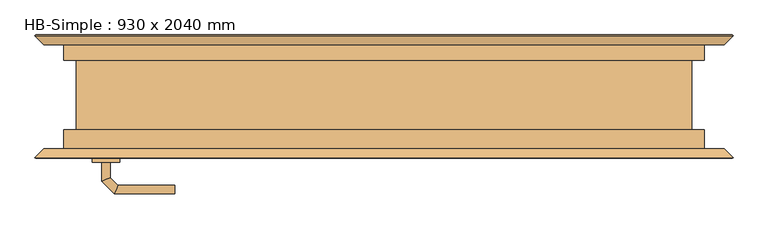
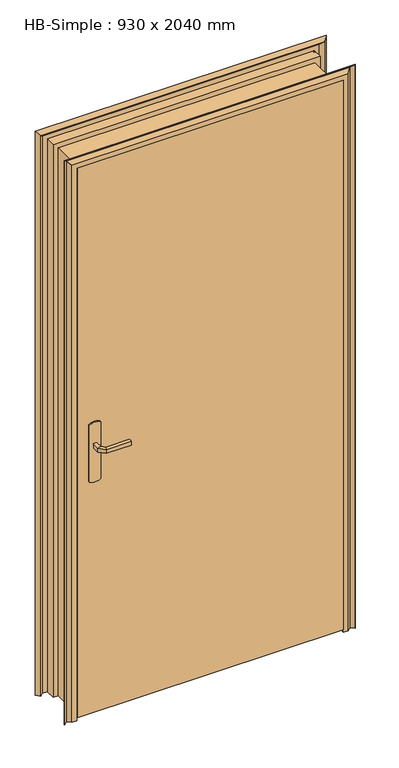
"""IFC4 building model written with IfcOpenShell, lengths in millimetres: door geometry, HB-Simple : 930 x 2040 mm."""

from ifc_helpers import new_model, si_unit, point, frame, frame_2d, origin, place, context, project, spatial, polyline, circle_curve, ellipse_curve, trimmed, segment, composite_curve, outline, extrude, faceted_brep, source, transform, mapped, element, save
from ifc_brep_helpers import plane_surface, cylinder_surface, advanced_brep


def hb_simple_930_x_2040_mm_84281c08(model_context):
    return source(origin(), model_context, "Body", "SolidModel", [
        advanced_brep(
        [(-399.0, -45.0, 993.0), (-399.0, -45.0, 1007.0), (-411.0, -45.0, 1007.0), (-411.0, -45.0, 993.0), (-399.0, -22.5147955, 993.0), (-399.0, -22.5147955, 1007.0), (-411.0, -17.5442327, 1007.0), (-411.0, -17.5442327, 993.0), (-387.5147186, -11.0295141, 993.0), (-387.5147186, -11.0295141, 1007.0), (-392.4852814, 0.9704859, 1007.0), (-392.4852814, 0.9704859, 993.0), (-304.9542163, -11.0295141, 993.0), (-304.9542163, 0.9704859, 993.0), (-304.9542163, 0.9704859, 1007.0), (-304.9542163, -11.0295141, 1007.0)],
        [
            (0, 1),
            (1, 2, circle_curve(frame((-405.0, -45.0, 986.9542278), z_axis=(0.0, -1.0, 0.0), x_axis=(-1.0, 0.0, 0.0)), 20.9244589)),
            (2, 3),
            (3, 0, circle_curve(frame((-405.0, -45.0, 1013.0457722), z_axis=(0.0, -1.0, 0.0), x_axis=(-1.0, 0.0, 0.0)), 20.9244589)),
            (0, 4),
            (4, 5),
            (5, 1),
            (5, 6, ellipse_curve(frame((-405.0, -20.0295141, 986.9542278), z_axis=(-0.38268343236511726, -0.9238795325112753, 0.0), x_axis=(0.9238795325112752, -0.38268343236511776, 0.0)), 22.6484711, 20.9244589)),
            (6, 2),
            (6, 7),
            (7, 3),
            (7, 4, ellipse_curve(frame((-405.0, -20.0295141, 1013.0457722), z_axis=(-0.38268343236511726, -0.9238795325112753, 0.0), x_axis=(0.9238795325112752, -0.38268343236511776, 0.0)), 22.6484711, 20.9244589)),
            (4, 8),
            (8, 9),
            (9, 5),
            (9, 10, ellipse_curve(frame((-390.0, -5.0295141, 986.9542278), z_axis=(-0.9238795325112982, -0.38268343236506225, 0.0), x_axis=(0.3826834323650622, -0.9238795325112981, 0.0)), 22.6484711, 20.9244589)),
            (10, 6),
            (10, 11),
            (11, 7),
            (11, 8, ellipse_curve(frame((-390.0, -5.0295141, 1013.0457722), z_axis=(-0.9238795325112982, -0.38268343236506225, 0.0), x_axis=(0.3826834323650622, -0.9238795325112981, 0.0)), 22.6484711, 20.9244589)),
            (12, 13, circle_curve(frame((-304.9542163, -5.0295141, 1013.0457722), z_axis=(1.0, 0.0, 0.0), x_axis=(0.0, 1.0, 0.0)), 20.9244589)),
            (13, 14),
            (14, 15, circle_curve(frame((-304.9542163, -5.0295141, 986.9542278), z_axis=(1.0, 0.0, 0.0), x_axis=(0.0, 1.0, 0.0)), 20.9244589)),
            (15, 12),
            (8, 12),
            (15, 9),
            (14, 10),
            (13, 11),
        ],
        [
            plane_surface(frame((-414.2195445, -45.0, 1000.0), z_axis=(0.0, -1.0, 0.0), x_axis=(0.0, 0.0, 1.0))),
            plane_surface(frame((-399.0, -45.0, 993.0), z_axis=(1.0, 0.0, 0.0), x_axis=(0.0, 1.0, 0.0))),
            cylinder_surface(frame((-405.0, -45.0, 986.9542278), z_axis=(0.0, -1.0, 0.0), x_axis=(-1.0, 0.0, 0.0)), 20.9244589),
            plane_surface(frame((-411.0, -45.0, 1007.0), z_axis=(-1.0, 0.0, 0.0), x_axis=(0.0, 1.0, 0.0))),
            cylinder_surface(frame((-405.0, -45.0, 1013.0457722), z_axis=(0.0, -1.0, 0.0), x_axis=(-1.0, 0.0, 0.0)), 20.9244589),
            plane_surface(frame((-399.0, -22.5147955, 993.0), z_axis=(0.7071067811865118, -0.7071067811865832, 0.0), x_axis=(0.7071067811865832, 0.7071067811865118, 0.0))),
            cylinder_surface(frame((-405.0, -20.0295141, 986.9542278), z_axis=(-0.7071067811865832, -0.7071067811865118, 0.0), x_axis=(-0.7071067811865118, 0.7071067811865832, 0.0)), 20.9244589),
            plane_surface(frame((-411.0, -17.5442327, 1007.0), z_axis=(-0.7071067811865119, 0.7071067811865831, 0.0), x_axis=(0.7071067811865831, 0.7071067811865119, 0.0))),
            cylinder_surface(frame((-405.0, -20.0295141, 1013.0457722), z_axis=(-0.7071067811865832, -0.7071067811865118, 0.0), x_axis=(-0.7071067811865118, 0.7071067811865832, 0.0)), 20.9244589),
            plane_surface(frame((-304.9542163, -5.0295141, 990.7804555), z_axis=(1.0, 0.0, 0.0), x_axis=(0.0, 1.0, 0.0))),
            plane_surface(frame((-387.5147186, -11.0295141, 993.0), z_axis=(0.0, -1.0, 0.0), x_axis=(1.0, 0.0, 0.0))),
            cylinder_surface(frame((-390.0, -5.0295141, 986.9542278), z_axis=(-1.0, 0.0, 0.0), x_axis=(0.0, 1.0, 0.0)), 20.9244589),
            plane_surface(frame((-392.4852814, 0.9704859, 1007.0), z_axis=(0.0, 1.0, 0.0), x_axis=(1.0, 0.0, 0.0))),
            cylinder_surface(frame((-390.0, -5.0295141, 1013.0457722), z_axis=(-1.0, 0.0, 0.0), x_axis=(0.0, 1.0, 0.0)), 20.9244589),
        ],
        [
            (0, [[1, 2, 3, 4]]),
            (1, [[-1, 5, 6, 7]]),
            (2, [[-2, -7, 8, 9]]),
            (3, [[-3, -9, 10, 11]]),
            (4, [[-4, -11, 12, -5]]),
            (5, [[-6, 13, 14, 15]]),
            (6, [[-8, -15, 16, 17]]),
            (7, [[-10, -17, 18, 19]]),
            (8, [[-12, -19, 20, -13]]),
            (9, [[21, 22, 23, 24]]),
            (10, [[-14, 25, -24, 26]]),
            (11, [[-16, -26, -23, 27]]),
            (12, [[-18, -27, -22, 28]]),
            (13, [[-20, -28, -21, -25]]),
        ],
    ),
        advanced_brep(
        [(-411.0, -95.0, 1007.0), (-399.0, -95.0, 1007.0), (-399.0, -95.0, 993.0), (-411.0, -95.0, 993.0), (-411.0, -122.6509507, 1007.0), (-399.0, -117.680388, 1007.0), (-399.0, -117.680388, 993.0), (-411.0, -122.6509507, 993.0), (-392.62279, -141.0281607, 1007.0), (-387.6522273, -129.0281607, 1007.0), (-387.6522273, -129.0281607, 993.0), (-392.62279, -141.0281607, 993.0), (-304.9813594, -141.0281607, 1007.0), (-304.9813594, -141.0281607, 993.0), (-304.9813594, -129.0281607, 993.0), (-304.9813594, -129.0281607, 1007.0)],
        [
            (0, 1, circle_curve(frame((-405.0, -95.0, 986.9542278), z_axis=(0.0, 1.0, 0.0), x_axis=(1.0, 0.0, 0.0)), 20.9244589)),
            (1, 2),
            (2, 3, circle_curve(frame((-405.0, -95.0, 1013.0457722), z_axis=(0.0, 1.0, 0.0), x_axis=(1.0, 0.0, 0.0)), 20.9244589)),
            (3, 0),
            (0, 4),
            (4, 5, ellipse_curve(frame((-405.0, -120.1656693, 986.9542278), z_axis=(-0.3826834323651007, 0.9238795325112821, 0.0), x_axis=(0.9238795325112822, 0.3826834323651012, 0.0)), 22.6484711, 20.9244589)),
            (5, 1),
            (5, 6),
            (6, 2),
            (6, 7, ellipse_curve(frame((-405.0, -120.1656693, 1013.0457722), z_axis=(-0.3826834323651007, 0.9238795325112821, 0.0), x_axis=(0.9238795325112822, 0.3826834323651012, 0.0)), 22.6484711, 20.9244589)),
            (7, 3),
            (7, 4),
            (4, 8),
            (8, 9, ellipse_curve(frame((-390.1375086, -135.0281607, 986.9542278), z_axis=(-0.9238795325112914, 0.3826834323650786, 0.0), x_axis=(0.38268343236507874, 0.9238795325112914, 0.0)), 22.6484711, 20.9244589)),
            (9, 5),
            (9, 10),
            (10, 6),
            (10, 11, ellipse_curve(frame((-390.1375086, -135.0281607, 1013.0457722), z_axis=(-0.9238795325112914, 0.3826834323650786, 0.0), x_axis=(0.38268343236507874, 0.9238795325112914, 0.0)), 22.6484711, 20.9244589)),
            (11, 7),
            (11, 8),
            (12, 13),
            (13, 14, circle_curve(frame((-304.9813594, -135.0281607, 1013.0457722), z_axis=(1.0, 0.0, 0.0), x_axis=(0.0, 1.0, 0.0)), 20.9244589)),
            (14, 15),
            (15, 12, circle_curve(frame((-304.9813594, -135.0281607, 986.9542278), z_axis=(1.0, 0.0, 0.0), x_axis=(0.0, 1.0, 0.0)), 20.9244589)),
            (8, 12),
            (15, 9),
            (14, 10),
            (13, 11),
        ],
        [
            plane_surface(frame((-414.2195445, -95.0, 1000.0), z_axis=(0.0, 1.0, 0.0), x_axis=(0.0, 0.0, -1.0))),
            cylinder_surface(frame((-405.0, -95.0, 986.9542278), z_axis=(0.0, 1.0, 0.0), x_axis=(1.0, 0.0, 0.0)), 20.9244589),
            plane_surface(frame((-399.0, -95.0, 1007.0), z_axis=(1.0, 0.0, 0.0), x_axis=(0.0, -1.0, 0.0))),
            cylinder_surface(frame((-405.0, -95.0, 1013.0457722), z_axis=(0.0, 1.0, 0.0), x_axis=(1.0, 0.0, 0.0)), 20.9244589),
            plane_surface(frame((-411.0, -95.0, 993.0), z_axis=(-1.0, 0.0, 0.0), x_axis=(0.0, -1.0, 0.0))),
            cylinder_surface(frame((-405.0, -120.1656693, 986.9542278), z_axis=(-0.7071067811865708, 0.7071067811865241, 0.0), x_axis=(0.7071067811865241, 0.7071067811865708, 0.0)), 20.9244589),
            plane_surface(frame((-399.0, -117.680388, 1007.0), z_axis=(0.7071067811865241, 0.7071067811865709, 0.0), x_axis=(0.7071067811865709, -0.7071067811865241, 0.0))),
            cylinder_surface(frame((-405.0, -120.1656693, 1013.0457722), z_axis=(-0.7071067811865708, 0.7071067811865241, 0.0), x_axis=(0.7071067811865241, 0.7071067811865708, 0.0)), 20.9244589),
            plane_surface(frame((-411.0, -122.6509507, 993.0), z_axis=(-0.7071067811865241, -0.7071067811865709, 0.0), x_axis=(0.7071067811865709, -0.7071067811865241, 0.0))),
            plane_surface(frame((-304.9813594, -135.0281607, 990.7804555), z_axis=(1.0, 0.0, 0.0), x_axis=(0.0, 1.0, 0.0))),
            cylinder_surface(frame((-390.1375086, -135.0281607, 986.9542278), z_axis=(-1.0, 0.0, 0.0), x_axis=(0.0, 1.0, 0.0)), 20.9244589),
            plane_surface(frame((-387.6522273, -129.0281607, 1007.0), z_axis=(0.0, 1.0, 0.0), x_axis=(1.0, 0.0, 0.0))),
            cylinder_surface(frame((-390.1375086, -135.0281607, 1013.0457722), z_axis=(-1.0, 0.0, 0.0), x_axis=(0.0, 1.0, 0.0)), 20.9244589),
            plane_surface(frame((-392.62279, -141.0281607, 993.0), z_axis=(0.0, -1.0, 0.0), x_axis=(1.0, 0.0, 0.0))),
        ],
        [
            (0, [[1, 2, 3, 4]]),
            (1, [[-1, 5, 6, 7]]),
            (2, [[-2, -7, 8, 9]]),
            (3, [[-3, -9, 10, 11]]),
            (4, [[-4, -11, 12, -5]]),
            (5, [[-6, 13, 14, 15]]),
            (6, [[-8, -15, 16, 17]]),
            (7, [[-10, -17, 18, 19]]),
            (8, [[-12, -19, 20, -13]]),
            (9, [[21, 22, 23, 24]]),
            (10, [[-14, 25, -24, 26]]),
            (11, [[-16, -26, -23, 27]]),
            (12, [[-18, -27, -22, 28]]),
            (13, [[-20, -28, -21, -25]]),
        ],
    ),
        extrude(outline(composite_curve([segment(trimmed(circle_curve(frame_2d((1045.3589838, -405.0)), 40.0), [point((1080.0, -385.0))], [point((1080.0, -425.0))], False, "CARTESIAN"), True, "CONTINUOUS"), segment(polyline([(1080.0, -425.0), (870.0, -425.0)]), True, "CONTINUOUS"), segment(trimmed(circle_curve(frame_2d((904.6410162, -405.0)), 40.0), [point((870.0, -425.0))], [point((870.0, -385.0))], False, "CARTESIAN"), True, "CONTINUOUS"), segment(polyline([(870.0, -385.0), (1080.0, -385.0)]), True, "CONTINUOUS")], self_intersect=False)), frame((0.0, -50.0, 0.0), z_axis=(0.0, 1.0, 0.0), x_axis=(0.0, 0.0, 1.0)), (0.0, 0.0, 1.0), 5.0),
        extrude(outline(composite_curve([segment(trimmed(circle_curve(frame_2d((904.6410162, -405.0)), 40.0), [point((870.0, -425.0))], [point((870.0, -385.0))], False, "CARTESIAN"), True, "CONTINUOUS"), segment(polyline([(870.0, -385.0), (1080.0, -385.0)]), True, "CONTINUOUS"), segment(trimmed(circle_curve(frame_2d((1045.3589838, -405.0)), 40.0), [point((1080.0, -385.0))], [point((1080.0, -425.0))], False, "CARTESIAN"), True, "CONTINUOUS"), segment(polyline([(1080.0, -425.0), (870.0, -425.0)]), True, "CONTINUOUS")], self_intersect=False)), frame((0.0, -95.0, 0.0), z_axis=(0.0, 1.0, 0.0), x_axis=(0.0, 0.0, 1.0)), (0.0, 0.0, 1.0), 5.0),
        extrude(outline(polyline([(-465.0, -50.0), (465.0, -50.0), (465.0, -90.0), (-465.0, -90.0), (-465.0, -50.0)])), frame((0.0, 0.0, 10.0), z_axis=(0.0, 0.0, 1.0), x_axis=(1.0, 0.0, 0.0)), (0.0, 0.0, 1.0), 2030.0),
        faceted_brep([(483.5, -90.0, 0.0), (465.5201865, -90.0, 0.0), (465.0, -88.9798135, 0.0), (465.0, -50.0, 0.0), (447.5186374, -50.0, 0.0), (446.5, -48.9813626, 0.0), (446.5, 54.0454714, 0.0), (447.4545286, 55.0, 0.0), (465.0, 55.0, 0.0), (465.0, 88.9205021, 0.0), (465.5794979, 90.0, 0.0), (483.5, 90.0, 0.0), (495.5, 78.0, 0.0), (507.5, 90.0, 0.0), (508.5, 89.0, 0.0), (495.5, 76.0, 0.0), (483.5, 88.0, 0.0), (466.5, 88.0, 0.0), (466.5, 53.0, 0.0), (448.5, 53.0, 0.0), (448.5, -48.0, 0.0), (466.5, -48.0, 0.0), (466.5, -88.0, 0.0), (483.5, -88.0, 0.0), (495.5, -76.0, 0.0), (508.5, -89.0, 0.0), (507.5, -90.0, 0.0), (495.5, -78.0, 0.0), (483.5, -90.0, 2058.5), (-483.5, -90.0, 2058.5), (-483.5, -90.0, 0.0), (-465.5201865, -90.0, 0.0), (-465.5201865, -90.0, 2040.5201865), (465.5201865, -90.0, 2040.5201865), (465.0, -88.9798135, 2040.0), (465.0, -50.0, 2040.0), (-465.0, -50.0, 2040.0), (-465.0, -50.0, 0.0), (-447.5186374, -50.0, 0.0), (-447.5186374, -50.0, 2022.5186374), (447.5186374, -50.0, 2022.5186374), (446.5, -48.9813626, 2021.5), (446.5, 54.0454714, 2021.5), (447.4545286, 55.0, 2022.4545286), (-447.4545286, 55.0, 2022.4545286), (-447.4545286, 55.0, 0.0), (-465.0, 55.0, 0.0), (-465.0, 55.0, 2040.0), (465.0, 55.0, 2040.0), (465.0, 88.9205021, 2040.0), (465.5794979, 90.0, 2040.5794979), (-465.5794979, 90.0, 2040.5794979), (-465.5794979, 90.0, 0.0), (-483.5, 90.0, 0.0), (-483.5, 90.0, 2058.5), (483.5, 90.0, 2058.5), (495.5, 78.0, 2070.5), (507.5, 90.0, 2082.5), (508.5, 89.0, 2083.5), (495.5, 76.0, 2070.5), (483.5, 88.0, 2058.5), (-483.5, 88.0, 2058.5), (-483.5, 88.0, 0.0), (-466.5, 88.0, 0.0), (-466.5, 88.0, 2041.5), (466.5, 88.0, 2041.5), (466.5, 53.0, 2041.5), (-466.5, 53.0, 2041.5), (-466.5, 53.0, 0.0), (-448.5, 53.0, 0.0), (-448.5, 53.0, 2023.5), (448.5, 53.0, 2023.5), (448.5, -48.0, 2023.5), (-448.5, -48.0, 2023.5), (-448.5, -48.0, 0.0), (-466.5, -48.0, 0.0), (-466.5, -48.0, 2041.5), (466.5, -48.0, 2041.5), (466.5, -88.0, 2041.5), (-466.5, -88.0, 2041.5), (-466.5, -88.0, 0.0), (-483.5, -88.0, 0.0), (-483.5, -88.0, 2058.5), (483.5, -88.0, 2058.5), (495.5, -76.0, 2070.5), (508.5, -89.0, 2083.5), (507.5, -90.0, 2082.5), (495.5, -78.0, 2070.5), (-495.5, -78.0, 0.0), (-507.5, -90.0, 0.0), (-508.5, -89.0, 0.0), (-495.5, -76.0, 0.0), (-495.5, 76.0, 0.0), (-508.5, 89.0, 0.0), (-507.5, 90.0, 0.0), (-495.5, 78.0, 0.0), (-465.0, 88.9205021, 0.0), (-446.5, 54.0454714, 0.0), (-446.5, -48.9813626, 0.0), (-465.0, -88.9798135, 0.0), (-495.5, -78.0, 2070.5), (-507.5, -90.0, 2082.5), (-508.5, -89.0, 2083.5), (-495.5, -76.0, 2070.5), (-495.5, 76.0, 2070.5), (-508.5, 89.0, 2083.5), (-507.5, 90.0, 2082.5), (-495.5, 78.0, 2070.5), (-465.0, 88.9205021, 2040.0), (-446.5, 54.0454714, 2021.5), (-446.5, -48.9813626, 2021.5), (-465.0, -88.9798135, 2040.0)], [[[0, 1, 2, 3, 4, 5, 6, 7, 8, 9, 10, 11, 12, 13, 14, 15, 16, 17, 18, 19, 20, 21, 22, 23, 24, 25, 26, 27]], [[1, 0, 28, 29, 30, 31, 32, 33]], [[2, 1, 33, 34]], [[3, 2, 34, 35]], [[4, 3, 35, 36, 37, 38, 39, 40]], [[5, 4, 40, 41]], [[6, 5, 41, 42]], [[7, 6, 42, 43]], [[8, 7, 43, 44, 45, 46, 47, 48]], [[9, 8, 48, 49]], [[10, 9, 49, 50]], [[11, 10, 50, 51, 52, 53, 54, 55]], [[12, 11, 55, 56]], [[13, 12, 56, 57]], [[14, 13, 57, 58]], [[15, 14, 58, 59]], [[16, 15, 59, 60]], [[17, 16, 60, 61, 62, 63, 64, 65]], [[18, 17, 65, 66]], [[19, 18, 66, 67, 68, 69, 70, 71]], [[20, 19, 71, 72]], [[21, 20, 72, 73, 74, 75, 76, 77]], [[22, 21, 77, 78]], [[23, 22, 78, 79, 80, 81, 82, 83]], [[24, 23, 83, 84]], [[25, 24, 84, 85]], [[26, 25, 85, 86]], [[27, 26, 86, 87]], [[0, 27, 87, 28]], [[30, 88, 89, 90, 91, 81, 80, 75, 74, 69, 68, 63, 62, 92, 93, 94, 95, 53, 52, 96, 46, 45, 97, 98, 38, 37, 99, 31]], [[29, 100, 88, 30]], [[100, 101, 89, 88]], [[101, 102, 90, 89]], [[102, 103, 91, 90]], [[103, 82, 81, 91]], [[79, 76, 75, 80]], [[73, 70, 69, 74]], [[67, 64, 63, 68]], [[61, 104, 92, 62]], [[104, 105, 93, 92]], [[105, 106, 94, 93]], [[106, 107, 95, 94]], [[107, 54, 53, 95]], [[51, 108, 96, 52]], [[108, 47, 46, 96]], [[44, 109, 97, 45]], [[109, 110, 98, 97]], [[110, 39, 38, 98]], [[36, 111, 99, 37]], [[111, 32, 31, 99]], [[35, 34, 111, 36]], [[42, 41, 110, 109]], [[49, 48, 47, 108]], [[66, 65, 64, 67]], [[72, 71, 70, 73]], [[78, 77, 76, 79]], [[34, 33, 32, 111]], [[41, 40, 39, 110]], [[43, 42, 109, 44]], [[50, 49, 108, 51]], [[56, 55, 54, 107]], [[57, 56, 107, 106]], [[58, 57, 106, 105]], [[59, 58, 105, 104]], [[60, 59, 104, 61]], [[84, 83, 82, 103]], [[85, 84, 103, 102]], [[86, 85, 102, 101]], [[87, 86, 101, 100]], [[28, 87, 100, 29]]]),
    ])


if __name__ == "__main__":
    model = new_model("IFC4")
    model_context = context("Model", 3, world=origin())
    ifc_project = project(units=[si_unit("LENGTHUNIT", "METRE", prefix="MILLI")], contexts=[model_context])
    site = spatial("IfcSite", under=ifc_project)
    building = spatial("IfcBuilding", under=site)
    placement = place(None, origin())
    hb_simple_930_x_2040_mm_shape = hb_simple_930_x_2040_mm_84281c08(model_context)
    element("IfcDoor", 1, ObjectType="HB-Simple : 930 x 2040 mm", at=placement, inside=building, context=model_context, shape_type="MappedRepresentation", body=[
        mapped(hb_simple_930_x_2040_mm_shape, transform((0.0, 0.0, 0.0), x_axis=(1.0, 0.0, 0.0), y_axis=(0.0, 1.0, 0.0), z_axis=(0.0, 0.0, 1.0))),
    ])
    save(model, "model.ifc")
